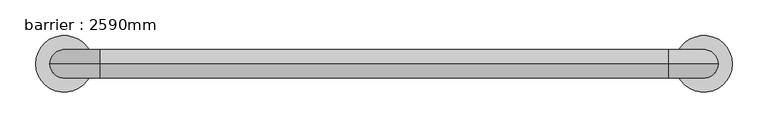
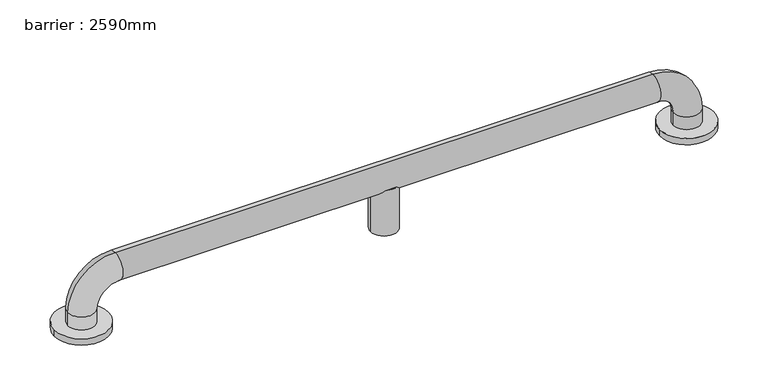
"""IFC4 building model written with IfcOpenShell, lengths in millimetres: geographic element geometry, barrier : 2590mm."""

from ifc_helpers import new_model, si_unit, point, frame, origin, place, context, project, spatial, circle_curve, ellipse_curve, trimmed, source, transform, mapped, element, save
from ifc_brep_helpers import plane_surface, cylinder_surface, revolved_surface, advanced_brep


def barrier_2590mm_114b9dbf(model_context):
    return source(origin(), model_context, "Body", "AdvancedBrep", [
        advanced_brep(
        [(268.9623876, 0.0, 0.0), (348.9623876, 0.0, 0.0), (1167.0186301, 0.0, 0.0), (1247.0186301, 0.0, 0.0), (328.9623876, 0.0, 30.0), (288.9623876, 0.0, 30.0), (288.9623876, 0.0, 10.0), (328.9623876, 0.0, 10.0), (358.9623876, 0.0, 60.0), (358.9623876, 0.0, 100.0), (737.9905089, 0.0, 60.0), (749.2967977, -18.0116458, 71.3062888), (766.6842201, -18.0116458, 71.3062888), (777.9905089, 0.0, 60.0), (1157.0186301, 0.0, 60.0), (1157.0186301, 0.0, 100.0), (766.6842201, 18.0116458, 71.3062888), (749.2967977, 18.0116458, 71.3062888), (1187.0186301, 0.0, 30.0), (1227.0186301, 0.0, 30.0), (1187.0186301, 0.0, 10.0), (1227.0186301, 0.0, 10.0), (737.9905089, 0.0, 0.0), (777.9905089, 0.0, 0.0), (268.9623876, 0.0, 10.0), (348.9623876, 0.0, 10.0), (1167.0186301, 0.0, 10.0), (1247.0186301, 0.0, 10.0)],
        [
            (0, 1, circle_curve(frame((308.9623876, 0.0, 0.0), z_axis=(0.0, 0.0, -1.0), x_axis=(1.0, 0.0, 0.0)), 40.0)),
            (1, 0, circle_curve(frame((308.9623876, 0.0, 0.0), z_axis=(0.0, 0.0, -1.0), x_axis=(1.0, 0.0, 0.0)), 40.0)),
            (2, 3, circle_curve(frame((1207.0186301, 0.0, 0.0), z_axis=(0.0, 0.0, -1.0), x_axis=(1.0, 0.0, 0.0)), 40.0)),
            (3, 2, circle_curve(frame((1207.0186301, 0.0, 0.0), z_axis=(0.0, 0.0, -1.0), x_axis=(1.0, 0.0, 0.0)), 40.0)),
            (4, 5, circle_curve(frame((308.9623876, 0.0, 30.0), z_axis=(0.0, 0.0, -1.0), x_axis=(-1.0, 0.0, 0.0)), 20.0)),
            (5, 6),
            (6, 7, circle_curve(frame((308.9623876, 0.0, 10.0), z_axis=(0.0, 0.0, 1.0), x_axis=(-1.0, 0.0, 0.0)), 20.0)),
            (7, 4),
            (5, 4, circle_curve(frame((308.9623876, 0.0, 30.0), z_axis=(0.0, 0.0, -1.0), x_axis=(-1.0, 0.0, 0.0)), 20.0)),
            (7, 6, circle_curve(frame((308.9623876, 0.0, 10.0), z_axis=(0.0, 0.0, 1.0), x_axis=(-1.0, 0.0, 0.0)), 20.0)),
            (4, 8, circle_curve(frame((358.9623876, 0.0, 30.0), z_axis=(0.0, 1.0, 0.0), x_axis=(-1.0, 0.0, 0.0)), 30.0)),
            (8, 9, circle_curve(frame((358.9623876, 0.0, 80.0), z_axis=(-1.0, 0.0, 0.0), x_axis=(0.0, 0.0, 1.0)), 20.0)),
            (9, 5, circle_curve(frame((358.9623876, 0.0, 30.0), z_axis=(0.0, -1.0, 0.0), x_axis=(-1.0, 0.0, 0.0)), 70.0)),
            (9, 8, circle_curve(frame((358.9623876, 0.0, 80.0), z_axis=(-1.0, 0.0, 0.0), x_axis=(0.0, 0.0, 1.0)), 20.0)),
            (8, 10),
            (10, 11, ellipse_curve(frame((757.9905089, 0.0, 80.0), z_axis=(-0.7071067811865475, 0.0, 0.7071067811865475), x_axis=(-0.7071067811865476, 0.0, -0.7071067811865474)), 28.2842712, 20.0)),
            (11, 12),
            (12, 13, ellipse_curve(frame((757.9905089, 0.0, 80.0), z_axis=(0.7071067811865475, 0.0, 0.7071067811865475), x_axis=(-0.7071067811865476, 0.0, 0.7071067811865474)), 28.2842712, 20.0)),
            (13, 14),
            (14, 15, circle_curve(frame((1157.0186301, 0.0, 80.0), z_axis=(-1.0, 0.0, 0.0), x_axis=(0.0, 0.0, 1.0)), 20.0)),
            (15, 9),
            (15, 14, circle_curve(frame((1157.0186301, 0.0, 80.0), z_axis=(-1.0, 0.0, 0.0), x_axis=(0.0, 0.0, 1.0)), 20.0)),
            (13, 16, ellipse_curve(frame((757.9905089, 0.0, 80.0), z_axis=(0.7071067811865475, 0.0, 0.7071067811865475), x_axis=(-0.7071067811865476, 0.0, 0.7071067811865474)), 28.2842712, 20.0)),
            (16, 17),
            (17, 10, ellipse_curve(frame((757.9905089, 0.0, 80.0), z_axis=(-0.7071067811865475, 0.0, 0.7071067811865475), x_axis=(-0.7071067811865476, 0.0, -0.7071067811865474)), 28.2842712, 20.0)),
            (14, 18, circle_curve(frame((1157.0186301, 0.0, 30.0), z_axis=(0.0, 1.0, 0.0), x_axis=(0.0, 0.0, 1.0)), 30.0)),
            (18, 19, circle_curve(frame((1207.0186301, 0.0, 30.0), z_axis=(0.0, 0.0, 1.0), x_axis=(1.0, 0.0, 0.0)), 20.0)),
            (19, 15, circle_curve(frame((1157.0186301, 0.0, 30.0), z_axis=(0.0, -1.0, 0.0), x_axis=(0.0, 0.0, 1.0)), 70.0)),
            (19, 18, circle_curve(frame((1207.0186301, 0.0, 30.0), z_axis=(0.0, 0.0, 1.0), x_axis=(1.0, 0.0, 0.0)), 20.0)),
            (18, 20),
            (20, 21, circle_curve(frame((1207.0186301, 0.0, 10.0), z_axis=(0.0, 0.0, 1.0), x_axis=(1.0, 0.0, 0.0)), 20.0)),
            (21, 19),
            (21, 20, circle_curve(frame((1207.0186301, 0.0, 10.0), z_axis=(0.0, 0.0, 1.0), x_axis=(1.0, 0.0, 0.0)), 20.0)),
            (22, 23, circle_curve(frame((757.9905089, 0.0, 0.0), z_axis=(0.0, 0.0, -1.0), x_axis=(1.0, 0.0, 0.0)), 20.0)),
            (23, 22, circle_curve(frame((757.9905089, 0.0, 0.0), z_axis=(0.0, 0.0, -1.0), x_axis=(1.0, 0.0, 0.0)), 20.0)),
            (23, 13),
            (12, 11, circle_curve(frame((757.9905089, 0.0, 71.3062888), z_axis=(0.0, 0.0, -1.0), x_axis=(1.0, 0.0, 0.0)), 20.0)),
            (10, 22),
            (17, 16, circle_curve(frame((757.9905089, 0.0, 71.3062888), z_axis=(0.0, 0.0, -1.0), x_axis=(1.0, 0.0, 0.0)), 20.0)),
            (24, 25, circle_curve(frame((308.9623876, 0.0, 10.0), z_axis=(0.0, 0.0, 1.0), x_axis=(1.0, 0.0, 0.0)), 40.0)),
            (25, 24, circle_curve(frame((308.9623876, 0.0, 10.0), z_axis=(0.0, 0.0, 1.0), x_axis=(1.0, 0.0, 0.0)), 40.0)),
            (26, 27, circle_curve(frame((1207.0186301, 0.0, 10.0), z_axis=(0.0, 0.0, 1.0), x_axis=(1.0, 0.0, 0.0)), 40.0)),
            (27, 26, circle_curve(frame((1207.0186301, 0.0, 10.0), z_axis=(0.0, 0.0, 1.0), x_axis=(1.0, 0.0, 0.0)), 40.0)),
            (24, 0),
            (1, 25),
            (26, 2),
            (3, 27),
        ],
        [
            plane_surface(frame((308.9623876, -20.0, 0.0), z_axis=(0.0, 0.0, -1.0), x_axis=(1.0, 0.0, 0.0))),
            cylinder_surface(frame((308.9623876, 0.0, 0.0), z_axis=(0.0, 0.0, -1.0), x_axis=(-1.0, 0.0, 0.0)), 20.0),
            revolved_surface(trimmed(ellipse_curve(frame((308.9623876, 0.0, 30.0), z_axis=(0.0, 0.0, -1.0), x_axis=(-1.0, 0.0, 0.0)), 20.0, 20.0), [point((328.9623876, 0.0, 30.0))], [point((288.9623876, 0.0, 30.0))], True, "CARTESIAN"), (358.9623876, 0.0, 30.0), (0.0, 1.0, 0.0)),
            revolved_surface(trimmed(ellipse_curve(frame((308.9623876, 0.0, 30.0), z_axis=(0.0, 0.0, -1.0), x_axis=(-1.0, 0.0, 0.0)), 20.0, 20.0), [point((288.9623876, 0.0, 30.0))], [point((328.9623876, 0.0, 30.0))], True, "CARTESIAN"), (358.9623876, 0.0, 30.0), (0.0, 1.0, 0.0)),
            cylinder_surface(frame((358.9623876, 0.0, 80.0), z_axis=(-1.0, 0.0, 0.0), x_axis=(0.0, 0.0, 1.0)), 20.0),
            revolved_surface(trimmed(ellipse_curve(frame((1157.0186301, 0.0, 80.0), z_axis=(-1.0, 0.0, 0.0), x_axis=(0.0, 0.0, 1.0)), 20.0, 20.0), [point((1157.0186301, 0.0, 60.0))], [point((1157.0186301, 0.0, 100.0))], True, "CARTESIAN"), (1157.0186301, 0.0, 30.0), (0.0, 1.0, 0.0)),
            revolved_surface(trimmed(ellipse_curve(frame((1157.0186301, 0.0, 80.0), z_axis=(-1.0, 0.0, 0.0), x_axis=(0.0, 0.0, 1.0)), 20.0, 20.0), [point((1157.0186301, 0.0, 100.0))], [point((1157.0186301, 0.0, 60.0))], True, "CARTESIAN"), (1157.0186301, 0.0, 30.0), (0.0, 1.0, 0.0)),
            cylinder_surface(frame((1207.0186301, 0.0, 30.0), z_axis=(0.0, 0.0, 1.0), x_axis=(1.0, 0.0, 0.0)), 20.0),
            plane_surface(frame((777.9905089, 0.0, 0.0), z_axis=(0.0, 0.0, -1.0), x_axis=(0.0, -1.0, 0.0))),
            cylinder_surface(frame((757.9905089, 0.0, 0.0), z_axis=(0.0, 0.0, 1.0), x_axis=(1.0, 0.0, 0.0)), 20.0),
            plane_surface(frame((348.9623876, 0.0, 10.0), z_axis=(0.0, 0.0, 1.0), x_axis=(0.0, 1.0, 0.0))),
            cylinder_surface(frame((308.9623876, 0.0, 0.0), z_axis=(0.0, 0.0, 1.0), x_axis=(1.0, 0.0, 0.0)), 40.0),
            cylinder_surface(frame((1207.0186301, 0.0, 0.0), z_axis=(0.0, 0.0, 1.0), x_axis=(1.0, 0.0, 0.0)), 40.0),
            plane_surface(frame((777.9905089, 0.0, 71.3062888), z_axis=(0.0, 0.0, 1.0), x_axis=(0.0, 1.0, 0.0))),
        ],
        [
            (0, [[1, 2]]),
            (0, [[3, 4]]),
            (1, [[5, 6, 7, 8]]),
            (1, [[9, -8, 10, -6]]),
            (2, [[-5, 11, 12, 13]]),
            (3, [[-9, -13, 14, -11]]),
            (4, [[-12, 15, 16, 17, 18, 19, 20, 21]]),
            (4, [[-14, -21, 22, -19, 23, 24, 25, -15]]),
            (5, [[-20, 26, 27, 28]]),
            (6, [[-22, -28, 29, -26]]),
            (7, [[-27, 30, 31, 32]]),
            (7, [[-29, -32, 33, -30]]),
            (8, [[34, 35]]),
            (9, [[-35, 36, -18, 37, -16, 38]]),
            (9, [[-34, -38, -25, 39, -23, -36]]),
            (10, [[40, 41], [-7, -10]]),
            (10, [[42, 43], [-31, -33]]),
            (11, [[-40, 44, -2, 45]]),
            (11, [[-41, -45, -1, -44]]),
            (12, [[-42, 46, -4, 47]]),
            (12, [[-43, -47, -3, -46]]),
            (13, [[-37, -17]]),
            (13, [[-39, -24]]),
        ],
    ),
    ])


if __name__ == "__main__":
    model = new_model("IFC4")
    model_context = context("Model", 3, world=origin())
    ifc_project = project(units=[si_unit("LENGTHUNIT", "METRE", prefix="MILLI")], contexts=[model_context])
    site = spatial("IfcSite", under=ifc_project)
    building = spatial("IfcBuilding", under=site)
    placement = place(None, origin())
    barrier_2590mm_shape = barrier_2590mm_114b9dbf(model_context)
    element("IfcGeographicElement", 1, ObjectType="barrier : 2590mm", at=placement, inside=building, context=model_context, shape_type="MappedRepresentation", body=[
        mapped(barrier_2590mm_shape, transform((0.0, 0.0, 0.0), x_axis=(1.0, 0.0, 0.0), y_axis=(0.0, 1.0, 0.0), z_axis=(0.0, 0.0, 1.0))),
    ])
    save(model, "model.ifc")
